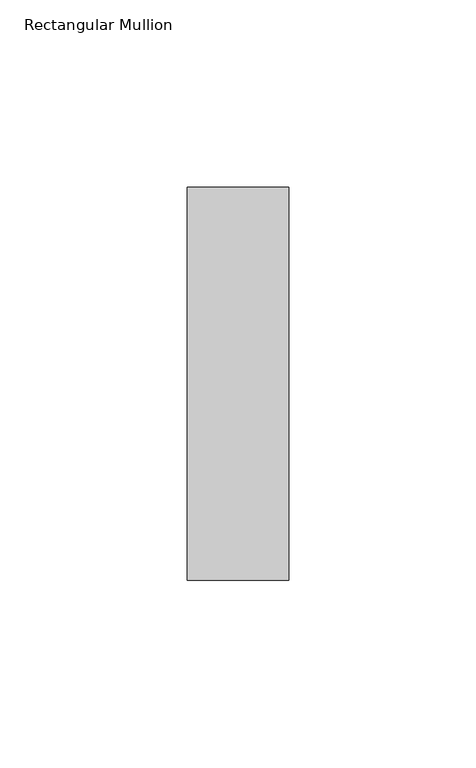
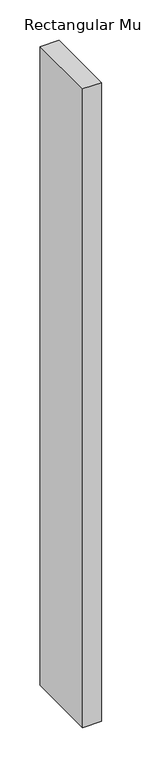
"""IFC4 building model written with IfcOpenShell, lengths in millimetres: member geometry, Rectangular Mullion."""

import ifcopenshell
import ifcopenshell.guid

model = None  # the IFC model being written
_history = None  # IfcOwnerHistory: only IFC2X3 demands one
_inside = {}  # id of a spatial element -> (the spatial element, [elements in it])
_under = {}  # id of a project, library or spatial element -> (it, [spatial elements below it])
_declared = {}  # id of a project -> (the project, [libraries it declares])
_typed = {}  # id of a type object -> (the type object, [elements of that type])
_made_of = {}  # id of a material, layer set ... -> (it, [elements and type objects made of it])


def new_model(schema):
    """Start an empty IFC model of exactly this schema.

    Asked for "IFC4X3", IfcOpenShell would pick the latest addendum, in which some entities
    have other attributes; the version numbers below select the first issue.
    IFC2X3 requires an IfcOwnerHistory on every rooted entity: one is made here for all.
    """
    global model, _history
    if schema == "IFC4X3":
        model = ifcopenshell.file(schema_version=(4, 3, 0, 0))
    else:
        model = ifcopenshell.file(schema=schema)
    _inside.clear()
    _under.clear()
    _declared.clear()
    _typed.clear()
    _made_of.clear()
    _history = None
    if model.schema == "IFC2X3":
        org = make("IfcOrganization", Name="unknown")
        user = make(
            "IfcPersonAndOrganization",
            ThePerson=make("IfcPerson", FamilyName="unknown"),
            TheOrganization=org,
        )
        app = make(
            "IfcApplication",
            ApplicationDeveloper=org,
            Version="unknown",
            ApplicationFullName="unknown",
            ApplicationIdentifier="unknown",
        )
        _history = make(
            "IfcOwnerHistory",
            OwningUser=user,
            OwningApplication=app,
            ChangeAction="ADDED",
            CreationDate=0,
        )
    return model


def make(cls, **values):
    """One entity of the class cls with the attributes given. An attribute that is None is left unset."""
    return model.create_entity(
        cls, **{name: value for name, value in values.items() if value is not None}
    )


def rooted(cls, **values):
    """An entity with a GlobalId (a new one), such as an element, a storey or a relation."""
    return make(cls, GlobalId=ifcopenshell.guid.new(), OwnerHistory=_history, **values)


def si_unit(unit_type, name, prefix=None):
    """IfcSIUnit, for example si_unit("LENGTHUNIT", "METRE", prefix="MILLI")."""
    return make("IfcSIUnit", UnitType=unit_type, Prefix=prefix, Name=name)


def assignment(units):
    """IfcUnitAssignment: the units of a project."""
    return None if units is None else make("IfcUnitAssignment", Units=units)


def point(xyz):
    """IfcCartesianPoint."""
    return None if xyz is None else make("IfcCartesianPoint", Coordinates=xyz)


def direction(xyz):
    """IfcDirection."""
    return None if xyz is None else make("IfcDirection", DirectionRatios=xyz)


def frame(location, z_axis=None, x_axis=None):
    """IfcAxis2Placement3D, a coordinate frame: its origin and axes. An axis left out is left unset."""
    return make(
        "IfcAxis2Placement3D",
        Location=point(location),
        Axis=direction(z_axis),
        RefDirection=direction(x_axis),
    )


def origin():
    """The frame at (0, 0, 0) with its axes left unset."""
    return frame((0.0, 0.0, 0.0))


def place(relative_to, where):
    """IfcLocalPlacement: puts the frame where relative to a parent placement (None: the world)."""
    return make(
        "IfcLocalPlacement", PlacementRelTo=relative_to, RelativePlacement=where
    )


def context(
    kind, dimensions, precision=None, world=None, true_north=None, identifier=None
):
    """IfcGeometricRepresentationContext, for example the 3D "Model" context."""
    return make(
        "IfcGeometricRepresentationContext",
        ContextIdentifier=identifier,
        ContextType=kind,
        CoordinateSpaceDimension=dimensions,
        Precision=precision,
        WorldCoordinateSystem=world,
        TrueNorth=true_north,
    )


def project(units=None, contexts=None):
    """IfcProject with its units and contexts."""
    return rooted(
        "IfcProject",
        Name="project",
        RepresentationContexts=contexts,
        UnitsInContext=assignment(units),
    )


def spatial(cls, under=None, at=None, **own):
    """A site, building, storey or space (cls), placed at a placement, below another one or the project."""
    s = rooted(cls, ObjectPlacement=at, **own)
    if under is not None:
        _under.setdefault(under.id(), (under, []))[1].append(s)
    return s


def polyline(points):
    """IfcPolyline through the points."""
    return make("IfcPolyline", Points=[point(p) for p in points])


def outline(outer, holes=None, kind="AREA"):
    """IfcArbitraryClosedProfileDef: a profile drawn as a closed curve; with holes, ...WithVoids."""
    if holes is None:
        return make("IfcArbitraryClosedProfileDef", ProfileType=kind, OuterCurve=outer)
    return make(
        "IfcArbitraryProfileDefWithVoids",
        ProfileType=kind,
        OuterCurve=outer,
        InnerCurves=holes,
    )


def extrude(swept, where, along, depth):
    """IfcExtrudedAreaSolid: the profile swept, set in the frame where, extruded along a direction by depth."""
    return make(
        "IfcExtrudedAreaSolid",
        SweptArea=swept,
        Position=where,
        ExtrudedDirection=direction(along),
        Depth=depth,
    )


def shape(context_of_items, identifier, shape_type, items):
    """IfcShapeRepresentation: the items that make up one representation, for example the "Body"."""
    return make(
        "IfcShapeRepresentation",
        ContextOfItems=context_of_items,
        RepresentationIdentifier=identifier,
        RepresentationType=shape_type,
        Items=items,
    )


def source(mapping_origin, context_of_items, identifier, shape_type, items):
    """IfcRepresentationMap: a shape defined once, which mapped items show again and again."""
    return make(
        "IfcRepresentationMap",
        MappingOrigin=mapping_origin,
        MappedRepresentation=shape(context_of_items, identifier, shape_type, items),
    )


def transform(
    local_origin,
    x_axis=None,
    y_axis=None,
    z_axis=None,
    scale=None,
    scale2=None,
    scale3=None,
    uniform=True,
):
    """IfcCartesianTransformationOperator3D, or its non-uniform kind. x_axis, y_axis, z_axis: its Axis1, 2, 3."""
    if uniform:
        return make(
            "IfcCartesianTransformationOperator3D",
            Axis1=direction(x_axis),
            Axis2=direction(y_axis),
            LocalOrigin=point(local_origin),
            Scale=scale,
            Axis3=direction(z_axis),
        )
    return make(
        "IfcCartesianTransformationOperator3DnonUniform",
        Axis1=direction(x_axis),
        Axis2=direction(y_axis),
        LocalOrigin=point(local_origin),
        Scale=scale,
        Axis3=direction(z_axis),
        Scale2=scale2,
        Scale3=scale3,
    )


def mapped(mapping_source, mapping_target):
    """IfcMappedItem: shows the shape of a source again, moved by a transform."""
    return make(
        "IfcMappedItem", MappingSource=mapping_source, MappingTarget=mapping_target
    )


def made_of(thing, what):
    """Note that an element or type object is made of a material, layer set ...; save() writes the relation."""
    if what is not None:
        _made_of.setdefault(what.id(), (what, []))[1].append(thing)
    return thing


def element(
    cls,
    number,
    at=None,
    inside=None,
    cuts=None,
    type_object=None,
    material=None,
    context=None,
    identifier="Body",
    shape_type=None,
    held_by="IfcProductDefinitionShape",
    body=None,
    shapes=None,
    **own,
):
    """One element of the class cls, such as IfcWall. Its Tag is "e" and its number.

    at: its placement. inside: the storey or other place that contains it. cuts: it is an
    opening in that element (IfcRelVoidsElement). A single representation is given by context,
    identifier, shape_type and body (its items); several are given by shapes. held_by: the class
    of the entity that holds the representations. save() writes the other relations.
    """
    e = rooted(cls, Tag="e%d" % number, ObjectPlacement=at, **own)
    if body is not None:
        shapes = [shape(context, identifier, shape_type, body)]
    if shapes is not None:
        e.Representation = make(held_by, Representations=shapes)
    if inside is not None:
        _inside.setdefault(inside.id(), (inside, []))[1].append(e)
    if cuts is not None:
        rooted(
            "IfcRelVoidsElement", RelatingBuildingElement=cuts, RelatedOpeningElement=e
        )
    if type_object is not None:
        _typed.setdefault(type_object.id(), (type_object, []))[1].append(e)
    return made_of(e, material)


def aggregate(whole, parts):
    """IfcRelAggregates: a whole, such as a stair, and the parts it consists of."""
    return rooted("IfcRelAggregates", RelatingObject=whole, RelatedObjects=parts)


def save(model, path):
    """Write the relations noted so far, then the file.

    IfcRelAggregates (storeys below a building ...), IfcRelContainedInSpatialStructure (elements
    in a storey), IfcRelDefinesByType, IfcRelAssociatesMaterial and IfcRelDeclares: one each for
    every whole, place, type object, material and project.
    """
    for whole, parts in _under.values():
        aggregate(whole, parts)
    for where, things in _inside.values():
        rooted(
            "IfcRelContainedInSpatialStructure",
            RelatedElements=things,
            RelatingStructure=where,
        )
    for kind, things in _typed.values():
        rooted("IfcRelDefinesByType", RelatedObjects=things, RelatingType=kind)
    for what, things in _made_of.values():
        rooted("IfcRelAssociatesMaterial", RelatedObjects=things, RelatingMaterial=what)
    for by, libraries in _declared.values():
        rooted("IfcRelDeclares", RelatingContext=by, RelatedDefinitions=libraries)
    model.write(path)


def rectangular_mullion_0bfd78dc(model_context):
    return source(origin(), model_context, "Body", "SweptSolid", [
        extrude(outline(polyline([(0.0, 52.3975), (0.0, -52.3975), (-27.0, -52.3975), (-27.0, 52.3975), (0.0, 52.3975)])), frame((0.0, 0.0, -963.0), z_axis=(0.0, 0.0, 1.0), x_axis=(1.0, 0.0, 0.0)), (0.0, 0.0, 1.0), 963.0),
    ])


if __name__ == "__main__":
    model = new_model("IFC4")
    model_context = context("Model", 3, world=origin())
    ifc_project = project(units=[si_unit("LENGTHUNIT", "METRE", prefix="MILLI")], contexts=[model_context])
    site = spatial("IfcSite", under=ifc_project)
    building = spatial("IfcBuilding", under=site)
    placement = place(None, origin())
    rectangular_mullion_shape = rectangular_mullion_0bfd78dc(model_context)
    element("IfcMember", 1, ObjectType="Rectangular Mullion", at=placement, inside=building, context=model_context, shape_type="MappedRepresentation", body=[
        mapped(rectangular_mullion_shape, transform((0.0, 0.0, 0.0), x_axis=(1.0, 0.0, 0.0), y_axis=(0.0, 1.0, 0.0), z_axis=(0.0, 0.0, 1.0))),
    ])
    save(model, "model.ifc")
